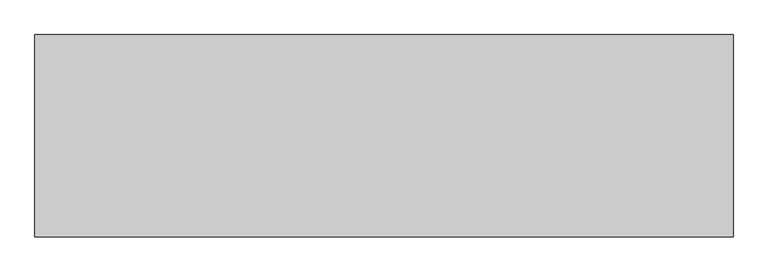
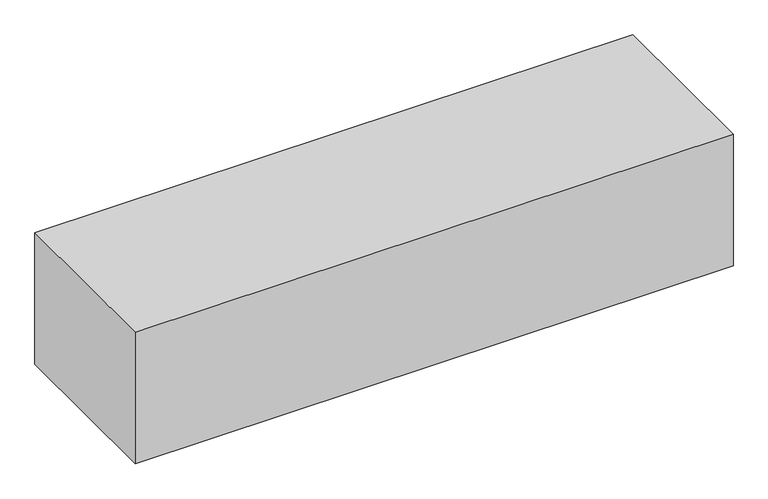
"""IFC4 building model written with IfcOpenShell, lengths in millimetres: geographic element geometry."""

from ifc_helpers import new_model, si_unit, origin, origin_with_axes, place, context, project, spatial, polyline, outline, extrude, source, transform, mapped, element, save


def geographic_element_d164ea4d(model_context):
    return source(origin(), model_context, "Body", "SweptSolid", [
        extrude(outline(polyline([(0.0, 0.0), (0.0, 500.0), (1724.9252326, 500.0), (1724.9252326, 0.0), (0.0, 0.0)])), origin_with_axes(), (0.0, 0.0, 1.0), 400.0),
    ])


if __name__ == "__main__":
    model = new_model("IFC4")
    model_context = context("Model", 3, world=origin())
    ifc_project = project(units=[si_unit("LENGTHUNIT", "METRE", prefix="MILLI")], contexts=[model_context])
    site = spatial("IfcSite", under=ifc_project)
    building = spatial("IfcBuilding", under=site)
    placement = place(None, origin())
    geographic_element_shape = geographic_element_d164ea4d(model_context)
    element("IfcGeographicElement", 1, at=placement, inside=building, context=model_context, shape_type="MappedRepresentation", body=[
        mapped(geographic_element_shape, transform((0.0, 0.0, 0.0), x_axis=(1.0, 0.0, 0.0), y_axis=(0.0, 1.0, 0.0), z_axis=(0.0, 0.0, 1.0))),
    ])
    save(model, "model.ifc")
